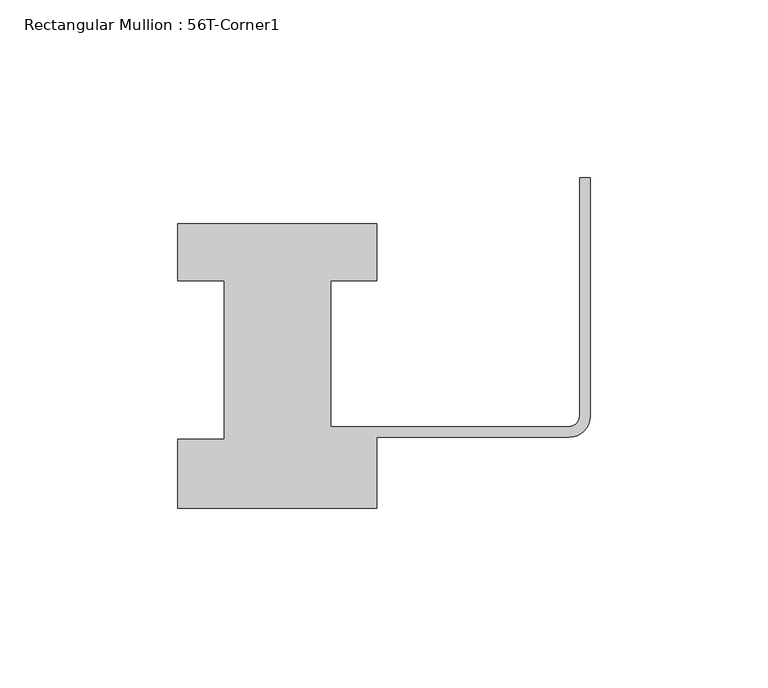
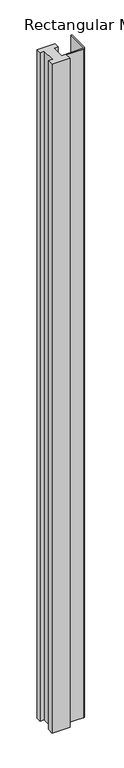
"""IFC4 building model written with IfcOpenShell, lengths in millimetres: member geometry, Rectangular Mullion : 56T-Corner1."""

from ifc_helpers import new_model, si_unit, point, frame, frame_2d, origin, place, context, project, spatial, polyline, circle_curve, trimmed, segment, composite_curve, outline, extrude, source, transform, mapped, element, save


def rectangular_mullion_56t_corner1_5fd08695(model_context):
    return source(origin(), model_context, "Body", "SweptSolid", [
        extrude(outline(composite_curve([segment(polyline([(-116.0, -20.0), (-116.0, -0.5), (-103.0, -0.5), (-103.0, 44.0), (-116.0, 44.0), (-116.0, 60.0), (-60.0, 60.0), (-60.0, 44.0), (-73.0, 44.0), (-73.0, 3.0), (-6.0, 3.0)]), True, "CONTINUOUS"), segment(trimmed(circle_curve(frame_2d((-6.0, 6.0)), 3.0), [point((-6.0, 3.0))], [point((-3.0, 6.0))], True, "CARTESIAN"), True, "CONTINUOUS"), segment(polyline([(-3.0, 6.0), (-3.0, 73.0), (0.0, 73.0), (0.0, 6.0)]), True, "CONTINUOUS"), segment(trimmed(circle_curve(frame_2d((-6.0, 6.0)), 6.0), [point((0.0, 6.0))], [point((-6.0, 0.0))], False, "CARTESIAN"), True, "CONTINUOUS"), segment(polyline([(-6.0, 0.0), (-60.0, 0.0), (-60.0, -20.0), (-116.0, -20.0)]), True, "CONTINUOUS")], self_intersect=False)), frame((0.0, 0.0, -2200.0), z_axis=(0.0, 0.0, 1.0), x_axis=(1.0, 0.0, 0.0)), (0.0, 0.0, 1.0), 2200.0),
    ])


if __name__ == "__main__":
    model = new_model("IFC4")
    model_context = context("Model", 3, world=origin())
    ifc_project = project(units=[si_unit("LENGTHUNIT", "METRE", prefix="MILLI")], contexts=[model_context])
    site = spatial("IfcSite", under=ifc_project)
    building = spatial("IfcBuilding", under=site)
    placement = place(None, origin())
    rectangular_mullion_56t_corner1_shape = rectangular_mullion_56t_corner1_5fd08695(model_context)
    element("IfcMember", 1, ObjectType="Rectangular Mullion : 56T-Corner1", at=placement, inside=building, context=model_context, shape_type="MappedRepresentation", body=[
        mapped(rectangular_mullion_56t_corner1_shape, transform((0.0, 0.0, 0.0), x_axis=(1.0, 0.0, 0.0), y_axis=(0.0, 1.0, 0.0), z_axis=(0.0, 0.0, 1.0))),
    ])
    save(model, "model.ifc")
